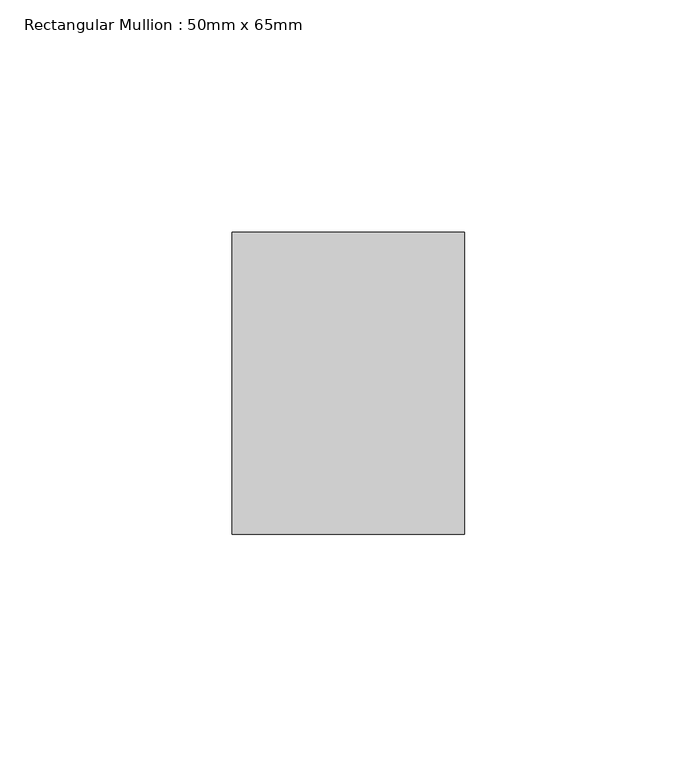
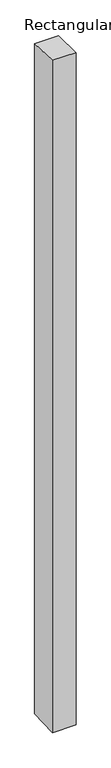
"""IFC4 building model written with IfcOpenShell, lengths in millimetres: member geometry, Rectangular Mullion : 50mm x 65mm."""

from ifc_helpers import new_model, si_unit, origin, place, context, project, spatial, faceted_brep, source, transform, mapped, element, save


def rectangular_mullion_50mm_x_65mm_0161873e(model_context):
    return source(origin(), model_context, "Body", "Brep", [
        faceted_brep([(-25.0, 32.5, -1.1419569), (25.0, 32.5, -1.141944), (25.0, 32.5, -1498.5323149), (-25.0, 32.5, -1498.5322983), (-25.0, -32.5, 1.141944), (-25.0, -32.5, -1501.4676491), (25.0, -32.5, 1.1419569), (25.0, -32.5, -1501.4676657)], [[[0, 1, 2, 3]], [[4, 0, 3, 5]], [[6, 4, 5, 7]], [[1, 6, 7, 2]], [[1, 0, 4, 6]], [[2, 7, 5, 3]]]),
    ])


if __name__ == "__main__":
    model = new_model("IFC4")
    model_context = context("Model", 3, world=origin())
    ifc_project = project(units=[si_unit("LENGTHUNIT", "METRE", prefix="MILLI")], contexts=[model_context])
    site = spatial("IfcSite", under=ifc_project)
    building = spatial("IfcBuilding", under=site)
    placement = place(None, origin())
    rectangular_mullion_50mm_x_65mm_shape = rectangular_mullion_50mm_x_65mm_0161873e(model_context)
    element("IfcMember", 1, ObjectType="Rectangular Mullion : 50mm x 65mm", at=placement, inside=building, context=model_context, shape_type="MappedRepresentation", body=[
        mapped(rectangular_mullion_50mm_x_65mm_shape, transform((0.0, 0.0, 0.0), x_axis=(1.0, 0.0, 0.0), y_axis=(0.0, 1.0, 0.0), z_axis=(0.0, 0.0, 1.0))),
    ])
    save(model, "model.ifc")
